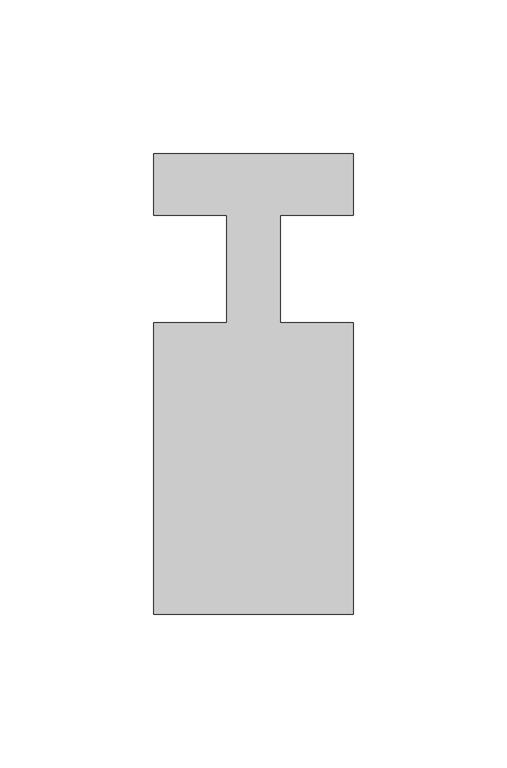
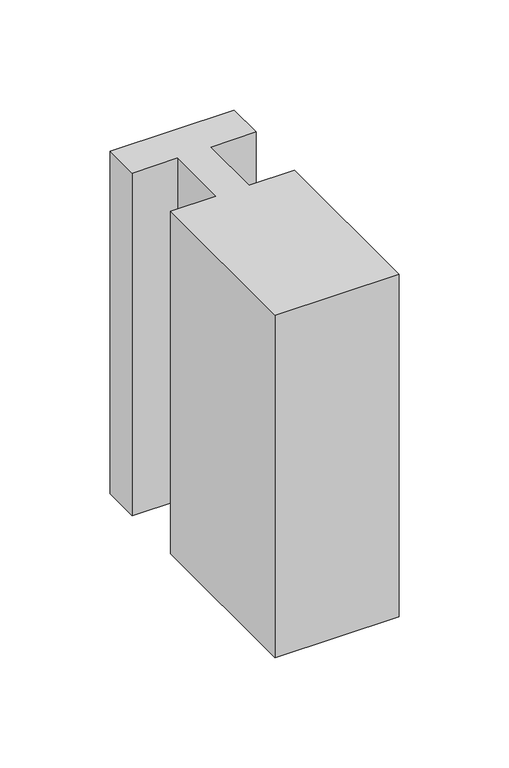
"""IFC4 building model written with IfcOpenShell, lengths in millimetres: member geometry."""

from ifc_helpers import new_model, si_unit, frame, origin, place, context, project, spatial, polyline, outline, extrude, source, transform, mapped, element, save


def member_9f80a55a(model_context):
    return source(origin(), model_context, "Body", "SweptSolid", [
        extrude(outline(polyline([(-32.5, 37.0), (32.5, 37.0), (32.5, 17.0), (8.6875, 17.0), (8.6875, -18.0), (32.5, -18.0), (32.5, -113.0), (-32.5, -113.0), (-32.5, -18.0), (-8.6875, -18.0), (-8.6875, 17.0), (-32.5, 17.0), (-32.5, 37.0)])), frame((0.0, 0.0, -190.0), z_axis=(0.0, 0.0, 1.0), x_axis=(1.0, 0.0, 0.0)), (0.0, 0.0, 1.0), 190.0),
    ])


if __name__ == "__main__":
    model = new_model("IFC4")
    model_context = context("Model", 3, world=origin())
    ifc_project = project(units=[si_unit("LENGTHUNIT", "METRE", prefix="MILLI")], contexts=[model_context])
    site = spatial("IfcSite", under=ifc_project)
    building = spatial("IfcBuilding", under=site)
    placement = place(None, origin())
    member_shape = member_9f80a55a(model_context)
    element("IfcMember", 1, at=placement, inside=building, context=model_context, shape_type="MappedRepresentation", body=[
        mapped(member_shape, transform((0.0, 0.0, 0.0), x_axis=(1.0, 0.0, 0.0), y_axis=(0.0, 1.0, 0.0), z_axis=(0.0, 0.0, 1.0))),
    ])
    save(model, "model.ifc")
